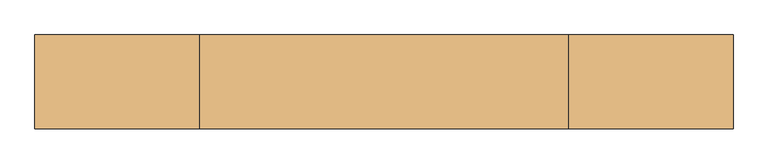
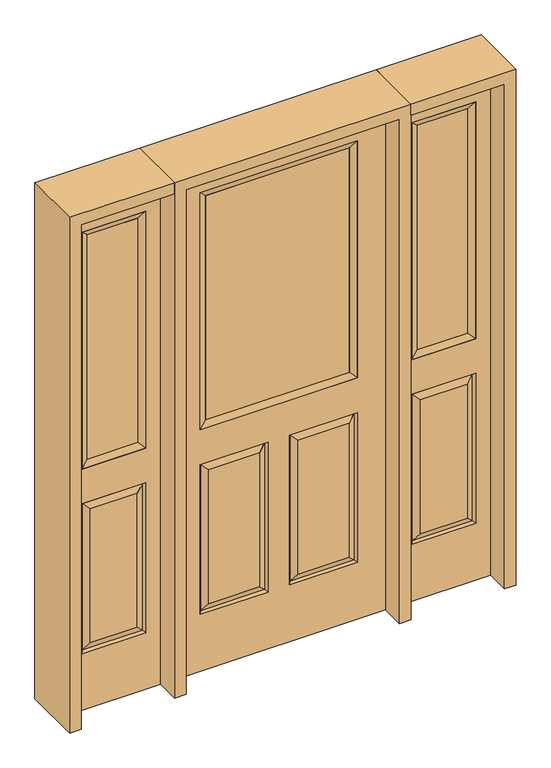
"""IFC4 building model written with IfcOpenShell, lengths in millimetres: door geometry."""

from ifc_helpers import new_model, si_unit, frame, origin, place, context, project, spatial, polyline, outline, extrude, faceted_brep, source, transform, mapped, element, save


def door_8fc174cd(model_context):
    return source(origin(), model_context, "Body", "SolidModel", [
        faceted_brep([(-406.4, 22.225, 0.0), (-406.4, 22.225, 2032.0), (406.4, 22.225, 2032.0), (406.4, 22.225, 0.0), (-299.339, 22.225, 971.55), (299.339, 22.225, 971.55), (299.339, 22.225, 1925.574), (-299.339, 22.225, 1925.574), (-299.339, 22.225, 831.85), (-299.339, 22.225, 228.6), (-41.275, 22.225, 228.6), (-41.275, 22.225, 831.85), (41.275, 22.225, 831.85), (41.275, 22.225, 228.6), (299.339, 22.225, 228.6), (299.339, 22.225, 831.85), (-73.025, 22.225, 800.1), (-73.025, 22.225, 260.35), (-267.589, 22.225, 260.35), (-267.589, 22.225, 800.1), (267.589, 22.225, 800.1), (267.589, 22.225, 260.35), (73.025, 22.225, 260.35), (73.025, 22.225, 800.1), (406.4, -22.225, 0.0), (-406.4, -22.225, 0.0), (406.4, -22.225, 2032.0), (-406.4, -22.225, 2032.0), (-299.339, -22.225, 1925.574), (-299.339, -22.225, 971.55), (299.339, -22.225, 971.55), (299.339, -22.225, 1925.574), (-41.275, -22.225, 831.85), (-41.275, -22.225, 228.6), (-299.339, -22.225, 228.6), (-299.339, -22.225, 831.85), (299.339, -22.225, 831.85), (299.339, -22.225, 228.6), (41.275, -22.225, 228.6), (41.275, -22.225, 831.85), (-267.589, -22.225, 800.1), (-267.589, -22.225, 260.35), (-73.025, -22.225, 260.35), (-73.025, -22.225, 800.1), (73.025, -22.225, 800.1), (73.025, -22.225, 260.35), (267.589, -22.225, 260.35), (267.589, -22.225, 800.1), (-292.19525, 12.7449236, 824.70625), (-48.41875, 12.7449236, 824.70625), (-292.19525, 12.7449236, 235.74375), (-48.41875, 12.7449236, 235.74375), (292.19525, 12.7449236, 824.70625), (48.41875, 12.7449236, 824.70625), (48.41875, 12.7449236, 235.74375), (292.19525, 12.7449236, 235.74375), (-292.19525, -12.7449236, 824.70625), (-48.41875, -12.7449236, 824.70625), (-48.41875, -12.7449236, 235.74375), (-292.19525, -12.7449236, 235.74375), (292.19525, -12.7449236, 824.70625), (48.41875, -12.7449236, 824.70625), (292.19525, -12.7449236, 235.74375), (48.41875, -12.7449236, 235.74375)], [[[0, 1, 2, 3], [4, 5, 6, 7], [8, 9, 10, 11], [12, 13, 14, 15]], [[16, 17, 18, 19]], [[20, 21, 22, 23]], [[3, 24, 25, 0]], [[2, 26, 24, 3]], [[0, 25, 27, 1]], [[7, 28, 29, 4]], [[5, 30, 31, 6]], [[4, 29, 30, 5]], [[25, 24, 26, 27], [29, 28, 31, 30], [32, 33, 34, 35], [36, 37, 38, 39]], [[40, 41, 42, 43]], [[44, 45, 46, 47]], [[1, 27, 26, 2]], [[6, 31, 28, 7]], [[16, 19, 48, 49]], [[19, 18, 50, 48]], [[51, 50, 18, 17]], [[49, 51, 17, 16]], [[48, 8, 11, 49]], [[11, 10, 51, 49]], [[10, 9, 50, 51]], [[48, 50, 9, 8]], [[52, 20, 23, 53]], [[23, 22, 54, 53]], [[22, 21, 55, 54]], [[52, 55, 21, 20]], [[53, 12, 15, 52]], [[15, 14, 55, 52]], [[54, 55, 14, 13]], [[53, 54, 13, 12]], [[56, 40, 43, 57]], [[43, 42, 58, 57]], [[42, 41, 59, 58]], [[56, 59, 41, 40]], [[57, 32, 35, 56]], [[35, 34, 59, 56]], [[58, 59, 34, 33]], [[57, 58, 33, 32]], [[44, 47, 60, 61]], [[47, 46, 62, 60]], [[63, 62, 46, 45]], [[61, 63, 45, 44]], [[60, 36, 39, 61]], [[39, 38, 63, 61]], [[38, 37, 62, 63]], [[60, 62, 37, 36]]]),
        extrude(outline(polyline([(273.939, 12.7), (273.939, -12.7), (-273.939, -12.7), (-273.939, 12.7), (273.939, 12.7)])), frame((0.0, 0.0, 996.95), z_axis=(0.0, 0.0, 1.0), x_axis=(1.0, 0.0, 0.0)), (0.0, 0.0, 1.0), 903.224),
        faceted_brep([(-299.339, 22.225, 1925.574), (-299.339, 22.225, 971.55), (-299.339, -22.225, 971.55), (-299.339, -22.225, 1925.574), (299.339, 22.225, 971.55), (299.339, -22.225, 971.55), (273.939, -12.7, 996.95), (-273.939, -12.7, 996.95), (299.339, 22.225, 1925.574), (299.339, -22.225, 1925.574), (-273.939, 12.7, 996.95), (273.939, 12.7, 996.95), (-273.939, 12.7, 1900.174), (273.939, 12.7, 1900.174), (-273.939, -12.7, 1900.174), (273.939, -12.7, 1900.174)], [[[0, 1, 2, 3]], [[1, 4, 5, 2]], [[2, 5, 6, 7]], [[4, 8, 9, 5]], [[10, 11, 4, 1]], [[12, 10, 1, 0]], [[11, 13, 8, 4]], [[7, 6, 11, 10]], [[14, 7, 10, 12]], [[6, 15, 13, 11]], [[3, 2, 7, 14]], [[5, 9, 15, 6]], [[8, 0, 3, 9]], [[13, 12, 0, 8]], [[15, 14, 12, 13]], [[9, 3, 14, 15]]]),
        faceted_brep([(806.45, 22.225, 0.0), (450.85, 22.225, 0.0), (450.85, 22.225, 2032.0), (806.45, 22.225, 2032.0), (507.238, 22.225, 1925.574), (507.238, 22.225, 971.55), (750.062, 22.225, 971.55), (750.062, 22.225, 1925.574), (507.238, 22.225, 228.6), (750.062, 22.225, 228.6), (750.062, 22.225, 831.85), (507.238, 22.225, 831.85), (718.1559872, 22.225, 260.5060128), (539.1440128, 22.225, 260.5060128), (539.1440128, 22.225, 799.9439872), (718.1559872, 22.225, 799.9439872), (806.45, -22.225, 0.0), (450.85, -22.225, 0.0), (450.85, -22.225, 2032.0), (806.45, -22.225, 2032.0), (507.238, -22.225, 1925.574), (507.238, -22.225, 971.55), (750.062, -22.225, 971.55), (750.062, -22.225, 1925.574), (750.062, -22.225, 228.6), (507.238, -22.225, 228.6), (507.238, -22.225, 831.85), (750.062, -22.225, 831.85), (539.1440128, -22.225, 260.5060128), (718.1559872, -22.225, 260.5060128), (718.1559872, -22.225, 799.9439872), (539.1440128, -22.225, 799.9439872), (514.1580067, 13.0418409, 235.5200067), (743.1419933, 13.0418409, 235.5200067), (743.1419933, 13.0418409, 824.9299933), (514.1580067, 13.0418409, 824.9299933), (743.1419933, -13.0418409, 235.5200067), (514.1580067, -13.0418409, 235.5200067), (514.1580067, -13.0418409, 824.9299933), (743.1419933, -13.0418409, 824.9299933)], [[[0, 1, 2, 3], [4, 5, 6, 7], [8, 9, 10, 11]], [[12, 13, 14, 15]], [[1, 0, 16, 17]], [[2, 1, 17, 18]], [[0, 3, 19, 16]], [[5, 4, 20, 21]], [[6, 5, 21, 22]], [[7, 6, 22, 23]], [[16, 19, 18, 17], [20, 23, 22, 21], [24, 25, 26, 27]], [[28, 29, 30, 31]], [[3, 2, 18, 19]], [[4, 7, 23, 20]], [[8, 32, 33, 9]], [[9, 33, 34, 10]], [[35, 11, 10, 34]], [[32, 8, 11, 35]], [[33, 32, 13, 12]], [[13, 32, 35, 14]], [[14, 35, 34, 15]], [[33, 12, 15, 34]], [[36, 37, 25, 24]], [[25, 37, 38, 26]], [[26, 38, 39, 27]], [[36, 24, 27, 39]], [[37, 36, 29, 28]], [[29, 36, 39, 30]], [[38, 31, 30, 39]], [[37, 28, 31, 38]]]),
        extrude(outline(polyline([(532.638, 12.7), (724.662, 12.7), (724.662, -12.7), (532.638, -12.7), (532.638, 12.7)])), frame((0.0, 0.0, 996.95), z_axis=(0.0, 0.0, 1.0), x_axis=(1.0, 0.0, 0.0)), (0.0, 0.0, 1.0), 903.224),
        faceted_brep([(750.062, 22.225, 1925.574), (750.062, -22.225, 1925.574), (750.062, -22.225, 971.55), (750.062, 22.225, 971.55), (507.238, -22.225, 971.55), (507.238, 22.225, 971.55), (724.662, -12.7, 996.95), (532.638, -12.7, 996.95), (507.238, -22.225, 1925.574), (507.238, 22.225, 1925.574), (724.662, 12.7, 996.95), (532.638, 12.7, 996.95), (724.662, 12.7, 1900.174), (532.638, 12.7, 1900.174), (724.662, -12.7, 1900.174), (532.638, -12.7, 1900.174)], [[[0, 1, 2, 3]], [[3, 2, 4, 5]], [[2, 6, 7, 4]], [[5, 4, 8, 9]], [[10, 3, 5, 11]], [[12, 0, 3, 10]], [[11, 5, 9, 13]], [[6, 10, 11, 7]], [[14, 12, 10, 6]], [[7, 11, 13, 15]], [[1, 14, 6, 2]], [[4, 7, 15, 8]], [[9, 8, 1, 0]], [[13, 9, 0, 12]], [[15, 13, 12, 14]], [[8, 15, 14, 1]]]),
        faceted_brep([(-806.45, 22.225, 0.0), (-806.45, 22.225, 2032.0), (-450.85, 22.225, 2032.0), (-450.85, 22.225, 0.0), (-507.238, 22.225, 1925.574), (-750.062, 22.225, 1925.574), (-750.062, 22.225, 971.55), (-507.238, 22.225, 971.55), (-507.238, 22.225, 228.6), (-507.238, 22.225, 831.85), (-750.062, 22.225, 831.85), (-750.062, 22.225, 228.6), (-718.1559872, 22.225, 260.5060128), (-718.1559872, 22.225, 799.9439872), (-539.1440128, 22.225, 799.9439872), (-539.1440128, 22.225, 260.5060128), (-450.85, -22.225, 0.0), (-806.45, -22.225, 0.0), (-450.85, -22.225, 2032.0), (-806.45, -22.225, 2032.0), (-507.238, -22.225, 971.55), (-507.238, -22.225, 1925.574), (-750.062, -22.225, 971.55), (-750.062, -22.225, 1925.574), (-750.062, -22.225, 228.6), (-750.062, -22.225, 831.85), (-507.238, -22.225, 831.85), (-507.238, -22.225, 228.6), (-539.1440128, -22.225, 260.5060128), (-539.1440128, -22.225, 799.9439872), (-718.1559872, -22.225, 799.9439872), (-718.1559872, -22.225, 260.5060128), (-743.1419933, 13.0418409, 235.5200067), (-514.1580067, 13.0418409, 235.5200067), (-743.1419933, 13.0418409, 824.9299933), (-514.1580067, 13.0418409, 824.9299933), (-743.1419933, -13.0418409, 235.5200067), (-514.1580067, -13.0418409, 235.5200067), (-514.1580067, -13.0418409, 824.9299933), (-743.1419933, -13.0418409, 824.9299933)], [[[0, 1, 2, 3], [4, 5, 6, 7], [8, 9, 10, 11]], [[12, 13, 14, 15]], [[3, 16, 17, 0]], [[2, 18, 16, 3]], [[0, 17, 19, 1]], [[7, 20, 21, 4]], [[6, 22, 20, 7]], [[5, 23, 22, 6]], [[17, 16, 18, 19], [21, 20, 22, 23], [24, 25, 26, 27]], [[28, 29, 30, 31]], [[1, 19, 18, 2]], [[4, 21, 23, 5]], [[8, 11, 32, 33]], [[11, 10, 34, 32]], [[35, 34, 10, 9]], [[33, 35, 9, 8]], [[32, 12, 15, 33]], [[15, 14, 35, 33]], [[14, 13, 34, 35]], [[32, 34, 13, 12]], [[36, 24, 27, 37]], [[27, 26, 38, 37]], [[26, 25, 39, 38]], [[36, 39, 25, 24]], [[37, 28, 31, 36]], [[31, 30, 39, 36]], [[38, 39, 30, 29]], [[37, 38, 29, 28]]]),
        extrude(outline(polyline([(-532.638, 12.7), (-532.638, -12.7), (-724.662, -12.7), (-724.662, 12.7), (-532.638, 12.7)])), frame((0.0, 0.0, 996.95), z_axis=(0.0, 0.0, 1.0), x_axis=(1.0, 0.0, 0.0)), (0.0, 0.0, 1.0), 903.224),
        faceted_brep([(-750.062, 22.225, 1925.574), (-750.062, 22.225, 971.55), (-750.062, -22.225, 971.55), (-750.062, -22.225, 1925.574), (-507.238, 22.225, 971.55), (-507.238, -22.225, 971.55), (-532.638, -12.7, 996.95), (-724.662, -12.7, 996.95), (-507.238, 22.225, 1925.574), (-507.238, -22.225, 1925.574), (-724.662, 12.7, 996.95), (-532.638, 12.7, 996.95), (-724.662, 12.7, 1900.174), (-532.638, 12.7, 1900.174), (-724.662, -12.7, 1900.174), (-532.638, -12.7, 1900.174)], [[[0, 1, 2, 3]], [[1, 4, 5, 2]], [[2, 5, 6, 7]], [[4, 8, 9, 5]], [[10, 11, 4, 1]], [[12, 10, 1, 0]], [[11, 13, 8, 4]], [[7, 6, 11, 10]], [[14, 7, 10, 12]], [[6, 15, 13, 11]], [[3, 2, 7, 14]], [[5, 9, 15, 6]], [[8, 0, 3, 9]], [[13, 12, 0, 8]], [[15, 14, 12, 13]], [[9, 3, 14, 15]]]),
        extrude(outline(polyline([(2076.45, -450.85), (2076.45, -850.9), (0.0, -850.9), (0.0, -806.45), (2032.0, -806.45), (2032.0, -450.85), (2076.45, -450.85)])), frame((0.0, -114.3, 0.0), z_axis=(0.0, 1.0, 0.0), x_axis=(0.0, 0.0, 1.0)), (0.0, 0.0, 1.0), 228.6),
        extrude(outline(polyline([(2032.0, 450.85), (2032.0, 806.45), (0.0, 806.45), (0.0, 850.9), (2076.45, 850.9), (2076.45, 450.85), (2032.0, 450.85)])), frame((0.0, -114.3, 0.0), z_axis=(0.0, 1.0, 0.0), x_axis=(0.0, 0.0, 1.0)), (0.0, 0.0, 1.0), 228.6),
        extrude(outline(polyline([(0.0, -406.4), (2032.0, -406.4), (2032.0, 406.4), (0.0, 406.4), (0.0, 450.85), (2076.45, 450.85), (2076.45, -450.85), (0.0, -450.85), (0.0, -406.4)])), frame((0.0, -114.3, 0.0), z_axis=(0.0, 1.0, 0.0), x_axis=(0.0, 0.0, 1.0)), (0.0, 0.0, 1.0), 228.6),
    ])


if __name__ == "__main__":
    model = new_model("IFC4")
    model_context = context("Model", 3, world=origin())
    ifc_project = project(units=[si_unit("LENGTHUNIT", "METRE", prefix="MILLI")], contexts=[model_context])
    site = spatial("IfcSite", under=ifc_project)
    building = spatial("IfcBuilding", under=site)
    placement = place(None, origin())
    door_shape = door_8fc174cd(model_context)
    element("IfcDoor", 1, at=placement, inside=building, context=model_context, shape_type="MappedRepresentation", body=[
        mapped(door_shape, transform((0.0, 0.0, 0.0), x_axis=(1.0, 0.0, 0.0), y_axis=(0.0, 1.0, 0.0), z_axis=(0.0, 0.0, 1.0))),
    ])
    save(model, "model.ifc")
